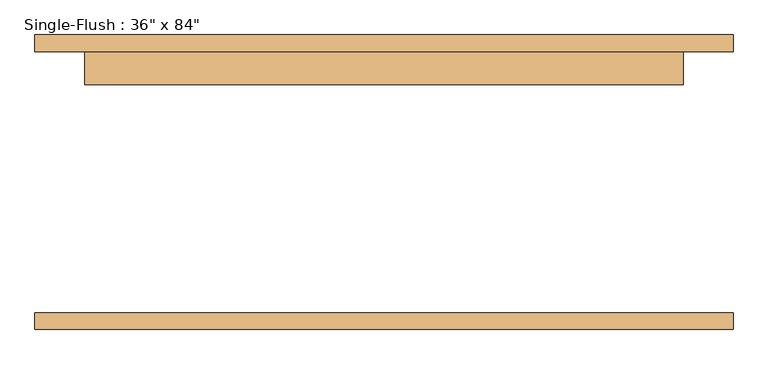
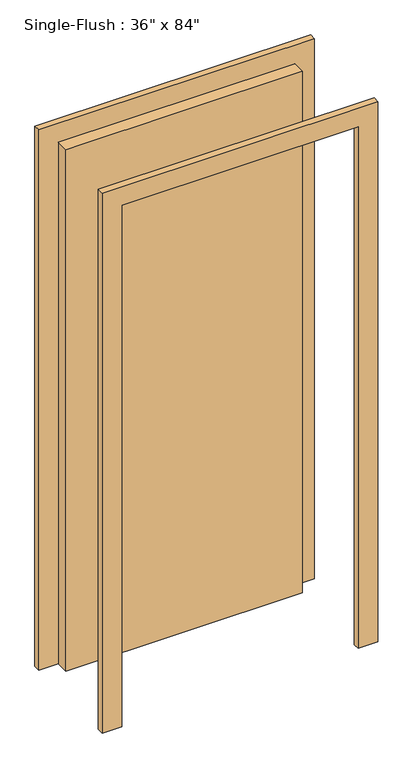
"""IFC4 building model written with IfcOpenShell, lengths in millimetres: door geometry."""

from ifc_helpers import new_model, si_unit, frame, origin, origin_with_axes, place, context, project, spatial, polyline, outline, extrude, source, transform, mapped, element, save


def door_bb166dda(model_context):
    return source(origin(), model_context, "Body", "SweptSolid", [
        extrude(outline(polyline([(2209.8, -533.4), (0.0, -533.4), (0.0, -457.2), (2133.6, -457.2), (2133.6, 457.2), (0.0, 457.2), (0.0, 533.4), (2209.8, 533.4), (2209.8, -533.4)])), frame((0.0, 200.0, 0.0), z_axis=(0.0, 1.0, 0.0), x_axis=(0.0, 0.0, 1.0)), (0.0, 0.0, 1.0), 25.4),
        extrude(outline(polyline([(2209.8, 533.4), (2209.8, -533.4), (0.0, -533.4), (0.0, -457.2), (2133.6, -457.2), (2133.6, 457.2), (0.0, 457.2), (0.0, 533.4), (2209.8, 533.4)])), frame((0.0, -225.4, 0.0), z_axis=(0.0, 1.0, 0.0), x_axis=(0.0, 0.0, 1.0)), (0.0, 0.0, 1.0), 25.4),
        extrude(outline(polyline([(457.2, 149.2), (-457.2, 149.2), (-457.2, 200.0), (457.2, 200.0), (457.2, 149.2)])), origin_with_axes(), (0.0, 0.0, 1.0), 2133.6),
    ])


if __name__ == "__main__":
    model = new_model("IFC4")
    model_context = context("Model", 3, world=origin())
    ifc_project = project(units=[si_unit("LENGTHUNIT", "METRE", prefix="MILLI")], contexts=[model_context])
    site = spatial("IfcSite", under=ifc_project)
    building = spatial("IfcBuilding", under=site)
    placement = place(None, origin())
    door_shape = door_bb166dda(model_context)
    element("IfcDoor", 1, ObjectType="Single-Flush : 36\" x 84\"", at=placement, inside=building, context=model_context, shape_type="MappedRepresentation", body=[
        mapped(door_shape, transform((0.0, 0.0, 0.0), x_axis=(1.0, 0.0, 0.0), y_axis=(0.0, 1.0, 0.0), z_axis=(0.0, 0.0, 1.0))),
    ])
    save(model, "model.ifc")
